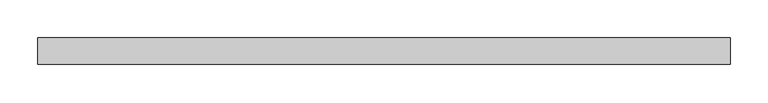
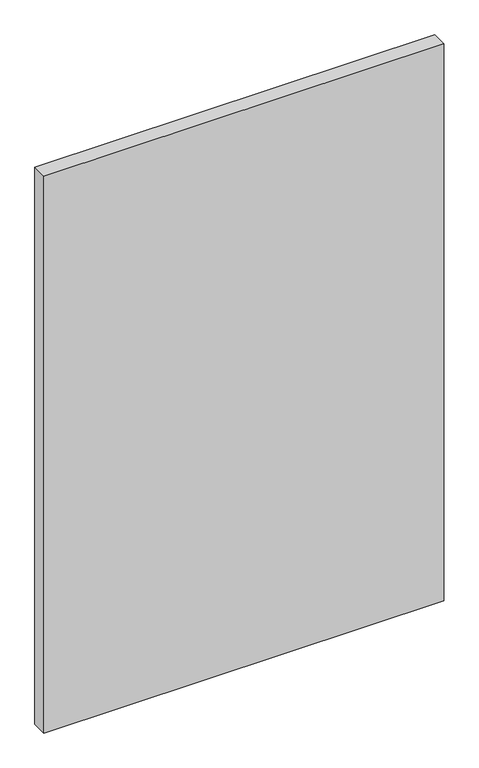
"""IFC4 building model written with IfcOpenShell, lengths in millimetres: plate geometry."""

from ifc_helpers import new_model, si_unit, origin, origin_with_axes, place, context, project, spatial, polyline, outline, extrude, source, transform, mapped, element, save


def plate_61d15e3f(model_context):
    return source(origin(), model_context, "Body", "SweptSolid", [
        extrude(outline(polyline([(456.5178571, -17.5), (-456.5178571, -17.5), (-456.5178571, 17.5), (456.5178571, 17.5), (456.5178571, -17.5)])), origin_with_axes(), (0.0, 0.0, 1.0), 1343.8125),
    ])


if __name__ == "__main__":
    model = new_model("IFC4")
    model_context = context("Model", 3, world=origin())
    ifc_project = project(units=[si_unit("LENGTHUNIT", "METRE", prefix="MILLI")], contexts=[model_context])
    site = spatial("IfcSite", under=ifc_project)
    building = spatial("IfcBuilding", under=site)
    placement = place(None, origin())
    plate_shape = plate_61d15e3f(model_context)
    element("IfcPlate", 1, at=placement, inside=building, context=model_context, shape_type="MappedRepresentation", body=[
        mapped(plate_shape, transform((0.0, 0.0, 0.0), x_axis=(1.0, 0.0, 0.0), y_axis=(0.0, 1.0, 0.0), z_axis=(0.0, 0.0, 1.0))),
    ])
    save(model, "model.ifc")
